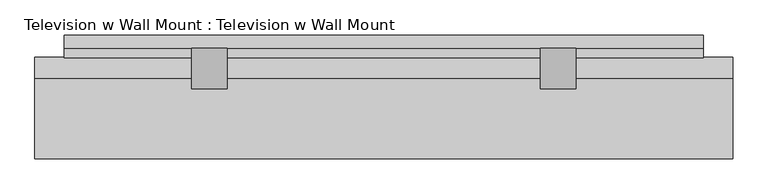
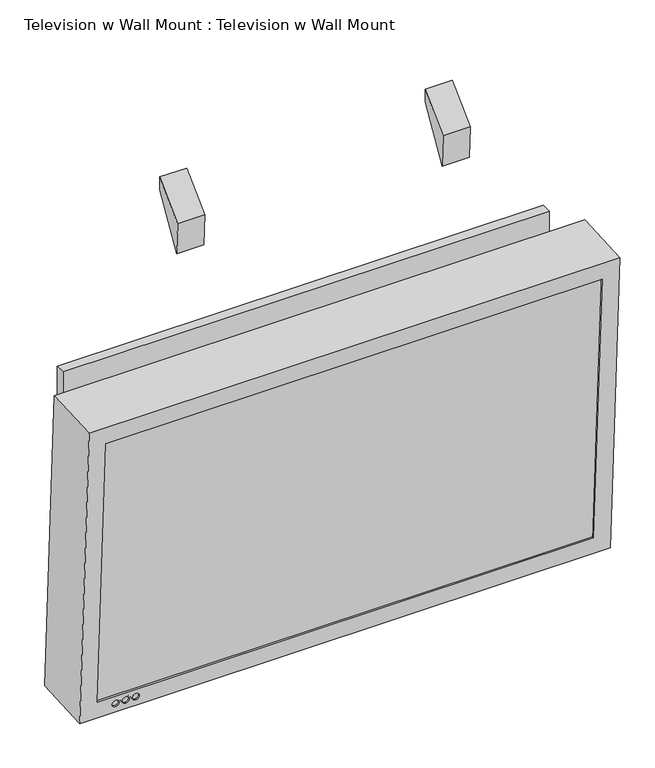
"""IFC4 building model written with IfcOpenShell, lengths in millimetres: proxy geometry, Television w Wall Mount : Television w Wall Mount."""

from ifc_helpers import new_model, si_unit, point, frame, frame_2d, origin, place, context, project, spatial, polyline, circle_curve, trimmed, segment, composite_curve, outline, extrude, source, transform, mapped, element, save
from ifc_brep_helpers import plane_surface, revolved_surface, advanced_brep


def television_w_wall_mount_television_w_wall_mount_1de32f02(model_context):
    return source(origin(), model_context, "Body", "SolidModel", [
        extrude(outline(composite_curve([segment(trimmed(circle_curve(frame_2d((0.0, 9.0037851)), 9.0037851), [point((0.0, 18.0075701))], [point((0.0, 0.0))], False, "CARTESIAN"), True, "CONTINUOUS"), segment(trimmed(circle_curve(frame_2d((0.0, 9.0037851)), 9.0037851), [point((0.0, 0.0))], [point((0.0, 18.0075701))], False, "CARTESIAN"), True, "CONTINUOUS")], self_intersect=False)), frame((-656.4331651, -240.5253505, 2466.195864), z_axis=(0.0, 0.9986295347545739, 0.05233595624294378), x_axis=(1.0, 0.0, 0.0)), (0.0, 0.0, 1.0), 3.175),
        extrude(outline(composite_curve([segment(trimmed(circle_curve(frame_2d((0.0, 9.0037851)), 9.0037851), [point((0.0, 18.0075701))], [point((0.0, 0.0))], False, "CARTESIAN"), True, "CONTINUOUS"), segment(trimmed(circle_curve(frame_2d((0.0, 9.0037851)), 9.0037851), [point((0.0, 0.0))], [point((0.0, 18.0075701))], False, "CARTESIAN"), True, "CONTINUOUS")], self_intersect=False)), frame((-675.4831651, -240.5253505, 2466.195864), z_axis=(0.0, 0.9986295347545739, 0.05233595624294378), x_axis=(1.0, 0.0, 0.0)), (0.0, 0.0, 1.0), 3.175),
        extrude(outline(polyline([(-173.6866051, 3314.1378533), (-115.8875, 3371.9369584), (-115.8875, 3346.5369584), (-170.4332889, 3252.0608808), (-173.6866051, 3314.1378533)])), frame((-38.7151563, 0.0, 0.0), z_axis=(1.0, 0.0, 0.0), x_axis=(0.0, 1.0, 0.0)), (0.0, 0.0, 1.0), 50.8),
        extrude(outline(polyline([(-173.6866051, 3314.1378533), (-115.8875, 3371.9369584), (-115.8875, 3346.5369584), (-170.4332889, 3252.0608808), (-173.6866051, 3314.1378533)])), frame((-537.7854688, 0.0, 0.0), z_axis=(1.0, 0.0, 0.0), x_axis=(0.0, 1.0, 0.0)), (0.0, 0.0, 1.0), 50.8),
        extrude(outline(polyline([(-96.8375, 2451.1), (-115.8875, 2451.1), (-128.4567078, 2451.1), (-129.455076, 2470.15), (-115.8875, 2470.15), (-115.8875, 3048.0), (-96.8375, 3048.0), (-96.8375, 2451.1)])), frame((-720.0503125, 0.0, 0.0), z_axis=(1.0, 0.0, 0.0), x_axis=(0.0, 1.0, 0.0)), (0.0, 0.0, 1.0), 914.4),
        extrude(outline(polyline([(0.0, 933.053125), (3.175, 933.053125), (3.175, 0.0), (0.0, 0.0), (0.0, 933.053125)])), frame((-729.376875, -237.7077838, 2473.0992385), z_axis=(0.0, -0.052335956242984656, 0.9986295347545718), x_axis=(0.0, -0.9986295347545718, -0.052335956242984656)), (0.0, 0.0, 1.0), 531.4488846),
        extrude(outline(polyline([(0.0, 933.053125), (76.2, 933.053125), (76.2, 0.0), (0.0, 0.0), (0.0, 933.053125)])), frame((-729.376875, -155.2709157, 2477.4195717), z_axis=(0.0, -0.052335956242941954, 0.998629534754574), x_axis=(0.0, -0.998629534754574, -0.052335956242941954)), (0.0, 0.0, 1.0), 531.4488846),
        extrude(outline(composite_curve([segment(trimmed(circle_curve(frame_2d((0.0, 9.0037851)), 9.0037851), [point((0.0, 18.0075701))], [point((0.0, 0.0))], False, "CARTESIAN"), True, "CONTINUOUS"), segment(trimmed(circle_curve(frame_2d((0.0, 9.0037851)), 9.0037851), [point((0.0, 0.0))], [point((0.0, 18.0075701))], False, "CARTESIAN"), True, "CONTINUOUS")], self_intersect=False)), frame((-694.5331651, -240.5253505, 2466.195864), z_axis=(0.0, 0.9986295347545739, 0.05233595624294378), x_axis=(1.0, 0.0, 0.0)), (0.0, 0.0, 1.0), 3.175),
        advanced_brep(
        [(-761.920625, -159.4228194, 3041.9686073), (236.22, -159.4228194, 3041.9686073), (236.22, -128.2025172, 2446.249755), (-761.920625, -128.2025172, 2446.249755), (-761.920625, -273.5661752, 3035.9866075), (-761.920625, -242.3458731, 2440.2677552), (236.22, -242.3458731, 2440.2677552), (236.22, -273.5661752, 3035.9866075), (-729.376875, -271.8629669, 3003.4874576), (203.67625, -271.8629669, 3003.4874576), (203.67625, -244.0490813, 2472.7669052), (-729.376875, -244.0490813, 2472.7669052), (-694.5331651, -242.907645, 2450.9870027), (-694.5331651, -243.5723117, 2463.6695978), (-675.4831651, -242.907645, 2450.9870027), (-675.4831651, -243.5723117, 2463.6695978), (-656.4331651, -242.907645, 2450.9870027), (-656.4331651, -243.5723117, 2463.6695978), (-729.376875, -183.0848013, 3008.1401241), (-729.376875, -155.2709157, 2477.4195717), (203.67625, -155.2709157, 2477.4195717), (203.67625, -183.0848013, 3008.1401241), (-694.5331651, -154.1294794, 2455.6396693), (-694.5331651, -154.794146, 2468.3222643), (-675.4831651, -154.1294794, 2455.6396693), (-675.4831651, -154.794146, 2468.3222643), (-656.4331651, -154.1294794, 2455.6396693), (-656.4331651, -154.794146, 2468.3222643)],
        [
            (0, 1),
            (1, 2),
            (2, 3),
            (3, 0),
            (4, 5),
            (5, 6),
            (6, 7),
            (7, 4),
            (8, 9),
            (9, 10),
            (10, 11),
            (11, 8),
            (12, 13, circle_curve(frame((-694.5331651, -243.2399783, 2457.3283003), z_axis=(0.0, 0.9986295347545739, 0.05233595624294378), x_axis=(0.0, -0.05233595624294378, 0.9986295347545739)), 6.35)),
            (13, 12, circle_curve(frame((-694.5331651, -243.2399783, 2457.3283003), z_axis=(0.0, 0.9986295347545739, 0.05233595624294378), x_axis=(0.0, -0.05233595624294378, 0.9986295347545739)), 6.35)),
            (14, 15, circle_curve(frame((-675.4831651, -243.2399783, 2457.3283003), z_axis=(0.0, 0.9986295347545739, 0.05233595624294378), x_axis=(0.0, -0.05233595624294378, 0.9986295347545739)), 6.35)),
            (15, 14, circle_curve(frame((-675.4831651, -243.2399783, 2457.3283003), z_axis=(0.0, 0.9986295347545739, 0.05233595624294378), x_axis=(0.0, -0.05233595624294378, 0.9986295347545739)), 6.35)),
            (16, 17, circle_curve(frame((-656.4331651, -243.2399783, 2457.3283003), z_axis=(0.0, 0.9986295347545739, 0.05233595624294378), x_axis=(0.0, -0.05233595624294378, 0.9986295347545739)), 6.35)),
            (17, 16, circle_curve(frame((-656.4331651, -243.2399783, 2457.3283003), z_axis=(0.0, 0.9986295347545739, 0.05233595624294378), x_axis=(0.0, -0.05233595624294378, 0.9986295347545739)), 6.35)),
            (3, 5),
            (4, 0),
            (2, 6),
            (1, 7),
            (18, 19),
            (19, 20),
            (20, 21),
            (21, 18),
            (18, 8),
            (11, 19),
            (10, 20),
            (9, 21),
            (22, 23, circle_curve(frame((-694.5331651, -154.4618127, 2461.9809668), z_axis=(0.0, -0.9986295347545739, -0.05233595624294378), x_axis=(0.0, -0.05233595624294378, 0.9986295347545739)), 6.35)),
            (23, 22, circle_curve(frame((-694.5331651, -154.4618127, 2461.9809668), z_axis=(0.0, -0.9986295347545739, -0.05233595624294378), x_axis=(0.0, -0.05233595624294378, 0.9986295347545739)), 6.35)),
            (24, 25, circle_curve(frame((-675.4831651, -154.4618127, 2461.9809668), z_axis=(0.0, -0.9986295347545739, -0.05233595624294378), x_axis=(0.0, -0.05233595624294378, 0.9986295347545739)), 6.35)),
            (25, 24, circle_curve(frame((-675.4831651, -154.4618127, 2461.9809668), z_axis=(0.0, -0.9986295347545739, -0.05233595624294378), x_axis=(0.0, -0.05233595624294378, 0.9986295347545739)), 6.35)),
            (26, 27, circle_curve(frame((-656.4331651, -154.4618127, 2461.9809668), z_axis=(0.0, -0.9986295347545739, -0.05233595624294378), x_axis=(0.0, -0.05233595624294378, 0.9986295347545739)), 6.35)),
            (27, 26, circle_curve(frame((-656.4331651, -154.4618127, 2461.9809668), z_axis=(0.0, -0.9986295347545739, -0.05233595624294378), x_axis=(0.0, -0.05233595624294378, 0.9986295347545739)), 6.35)),
            (22, 12),
            (13, 23),
            (24, 14),
            (15, 25),
            (26, 16),
            (17, 27),
        ],
        [
            plane_surface(frame((-761.920625, -159.4228194, 3041.9686073), z_axis=(0.0, 0.9986295347545739, 0.05233595624294378), x_axis=(0.0, 0.05233595624294378, -0.9986295347545739))),
            plane_surface(frame((-761.920625, -273.5661752, 3035.9866075), z_axis=(0.0, -0.9986295347545739, -0.05233595624294378), x_axis=(0.0, -0.05233595624294378, 0.9986295347545739))),
            plane_surface(frame((-761.920625, -159.4228194, 3041.9686073), z_axis=(-1.0000000000000002, 0.0, 0.0), x_axis=(0.0, -0.998629534754574, -0.05233595624294197))),
            plane_surface(frame((-761.920625, -128.2025172, 2446.249755), z_axis=(0.0, 0.05233595624294196, -0.998629534754574), x_axis=(0.0, -0.998629534754574, -0.05233595624294196))),
            plane_surface(frame((236.22, -128.2025172, 2446.249755), z_axis=(1.0000000000000002, 0.0, 0.0), x_axis=(0.0, -0.998629534754574, -0.05233595624294196))),
            plane_surface(frame((236.22, -159.4228194, 3041.9686073), z_axis=(0.0, -0.05233595624294197, 0.998629534754574), x_axis=(0.0, -0.998629534754574, -0.05233595624294197))),
            plane_surface(frame((-729.376875, -183.0848013, 3008.1401241), z_axis=(0.0, -0.9986295347545739, -0.05233595624294378), x_axis=(0.0, 0.05233595624294378, -0.9986295347545739))),
            plane_surface(frame((-729.376875, -183.0848013, 3008.1401241), z_axis=(1.0000000000000002, 0.0, 0.0), x_axis=(0.0, -0.998629534754574, -0.05233595624294197))),
            plane_surface(frame((-729.376875, -155.2709157, 2477.4195717), z_axis=(0.0, -0.05233595624294197, 0.998629534754574), x_axis=(0.0, -0.998629534754574, -0.05233595624294197))),
            plane_surface(frame((203.67625, -155.2709157, 2477.4195717), z_axis=(-1.0000000000000002, 0.0, 0.0), x_axis=(0.0, -0.998629534754574, -0.05233595624294197))),
            plane_surface(frame((203.67625, -183.0848013, 3008.1401241), z_axis=(0.0, 0.05233595624294197, -0.998629534754574), x_axis=(0.0, -0.998629534754574, -0.05233595624294197))),
            plane_surface(frame((-694.5331651, -154.794146, 2468.3222643), z_axis=(0.0, -0.9986295347545739, -0.05233595624294377), x_axis=(-1.0, 0.0, 0.0))),
            revolved_surface(polyline([(-694.5331651, -154.79414600286253, 2468.3222643546205), (-694.5331651, -243.5723117021748, 2463.6695978414978)]), (-694.5331651, -243.2399783, 2457.3283003), (0.0, 0.9986295347545739, 0.05233595624294378)),
            revolved_surface(polyline([(-675.4831651, -154.79414600299884, 2468.3222643572212), (-675.4831651, -243.57231170231108, 2463.669597844098)]), (-675.4831651, -129.0966225, 2463.3103001), (0.0, 0.9986295347545739, 0.05233595624294378)),
            revolved_surface(polyline([(-656.4331651, -154.79414600299884, 2468.3222643572212), (-656.4331651, -243.57231170231108, 2463.669597844098)]), (-656.4331651, -129.0966225, 2463.3103001), (0.0, 0.9986295347545739, 0.05233595624294378)),
        ],
        [
            (0, [[1, 2, 3, 4]]),
            (1, [[5, 6, 7, 8], [9, 10, 11, 12], [13, 14], [15, 16], [17, 18]]),
            (2, [[19, -5, 20, -4]]),
            (3, [[21, -6, -19, -3]]),
            (4, [[22, -7, -21, -2]]),
            (5, [[-20, -8, -22, -1]]),
            (6, [[23, 24, 25, 26]]),
            (7, [[27, -12, 28, -23]]),
            (8, [[-28, -11, 29, -24]]),
            (9, [[-29, -10, 30, -25]]),
            (10, [[-30, -9, -27, -26]]),
            (11, [[31, 32]]),
            (11, [[33, 34]]),
            (11, [[35, 36]]),
            (12, [[37, -14, 38, -31]]),
            (12, [[-38, -13, -37, -32]]),
            (13, [[39, -16, 40, -33]]),
            (13, [[-40, -15, -39, -34]]),
            (14, [[41, -18, 42, -35]]),
            (14, [[-42, -17, -41, -36]]),
        ],
    ),
    ])


if __name__ == "__main__":
    model = new_model("IFC4")
    model_context = context("Model", 3, world=origin())
    ifc_project = project(units=[si_unit("LENGTHUNIT", "METRE", prefix="MILLI")], contexts=[model_context])
    site = spatial("IfcSite", under=ifc_project)
    building = spatial("IfcBuilding", under=site)
    placement = place(None, origin())
    television_w_wall_mount_television_w_wall_mount_shape = television_w_wall_mount_television_w_wall_mount_1de32f02(model_context)
    element("IfcBuildingElementProxy", 1, Name="Television w Wall Mount : Television w Wall Mount", ObjectType="Television w Wall Mount : Television w Wall Mount", at=placement, inside=building, context=model_context, shape_type="MappedRepresentation", body=[
        mapped(television_w_wall_mount_television_w_wall_mount_shape, transform((0.0, 0.0, 0.0), x_axis=(1.0, 0.0, 0.0), y_axis=(0.0, 1.0, 0.0), z_axis=(0.0, 0.0, 1.0))),
    ])
    save(model, "model.ifc")
